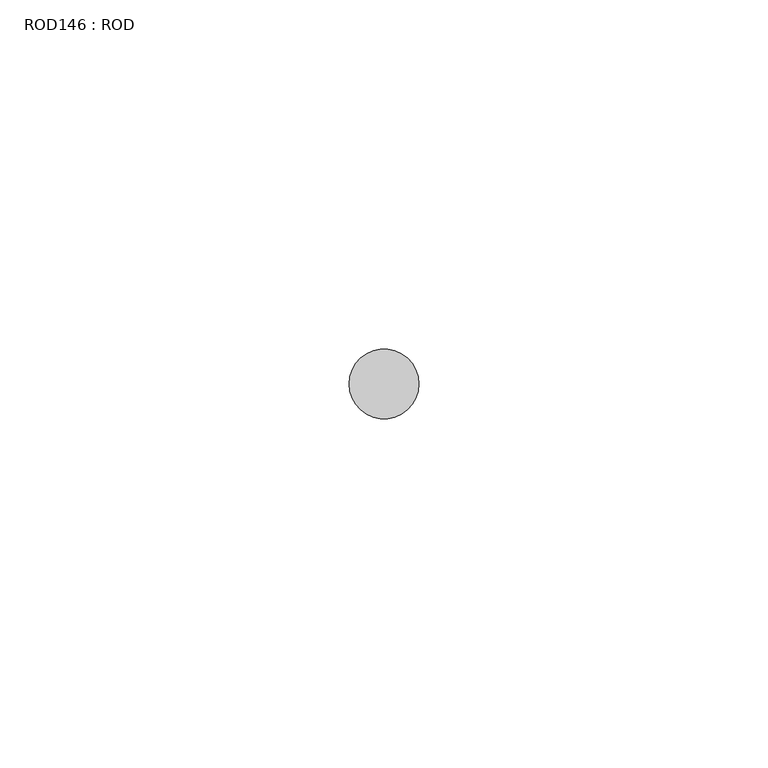
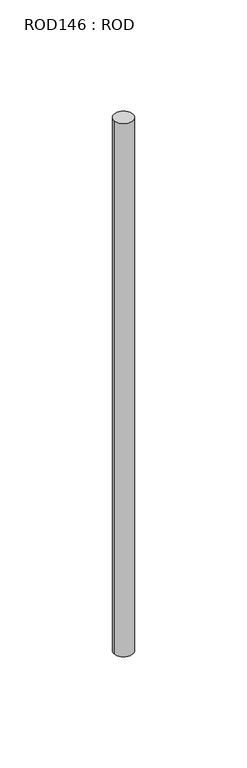
"""IFC4 building model written with IfcOpenShell, lengths in millimetres: proxy geometry, ROD146 : ROD."""

from ifc_helpers import new_model, si_unit, point, frame, frame_2d, origin, place, context, project, spatial, circle_curve, trimmed, segment, composite_curve, outline, extrude, source, transform, mapped, element, save


def rod146_rod_4d729565(model_context):
    return source(origin(), model_context, "Body", "SweptSolid", [
        extrude(outline(composite_curve([segment(trimmed(circle_curve(frame_2d((-540.2326676, -23605.8050304)), 5.0), [point((-545.2326676, -23605.8050304))], [point((-535.2326676, -23605.8050304))], False, "CARTESIAN"), True, "CONTINUOUS"), segment(trimmed(circle_curve(frame_2d((-540.2326676, -23605.8050304)), 5.0), [point((-535.2326676, -23605.8050304))], [point((-545.2326676, -23605.8050304))], False, "CARTESIAN"), True, "CONTINUOUS")], self_intersect=False)), frame((0.0, 0.0, 166.3391155), z_axis=(0.0, 0.0, 1.0), x_axis=(1.0, 0.0, 0.0)), (0.0, 0.0, 1.0), 298.9028972),
    ])


if __name__ == "__main__":
    model = new_model("IFC4")
    model_context = context("Model", 3, world=origin())
    ifc_project = project(units=[si_unit("LENGTHUNIT", "METRE", prefix="MILLI")], contexts=[model_context])
    site = spatial("IfcSite", under=ifc_project)
    building = spatial("IfcBuilding", under=site)
    placement = place(None, origin())
    rod146_rod_shape = rod146_rod_4d729565(model_context)
    element("IfcBuildingElementProxy", 1, Name="ROD146 : ROD", ObjectType="ROD146 : ROD", at=placement, inside=building, context=model_context, shape_type="MappedRepresentation", body=[
        mapped(rod146_rod_shape, transform((0.0, 0.0, 0.0), x_axis=(1.0, 0.0, 0.0), y_axis=(0.0, 1.0, 0.0), z_axis=(0.0, 0.0, 1.0))),
    ])
    save(model, "model.ifc")
